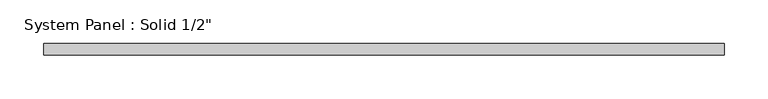
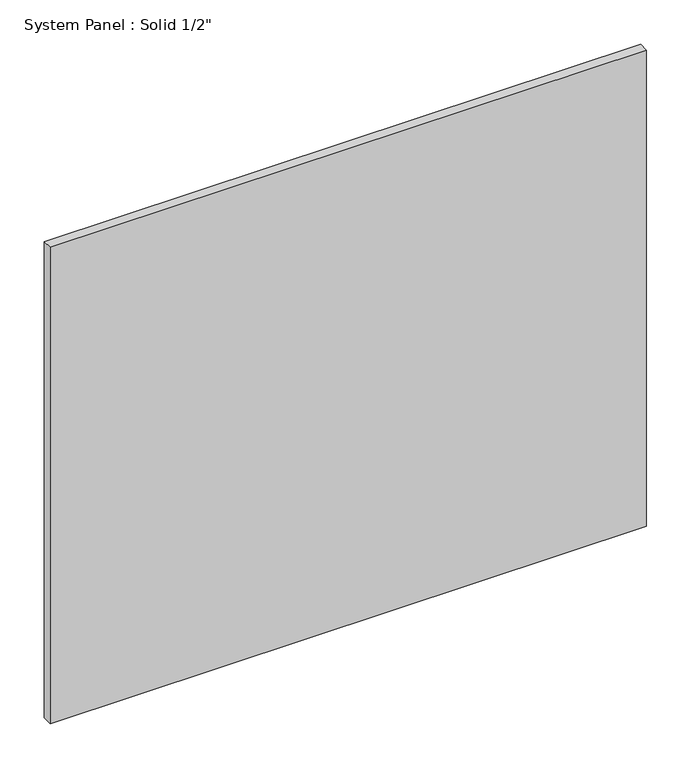
"""IFC4 building model written with IfcOpenShell, lengths in millimetres: plate geometry."""

from ifc_helpers import new_model, si_unit, origin, origin_with_axes, place, context, project, spatial, polyline, outline, extrude, source, transform, mapped, element, save


def plate_4413783c(model_context):
    return source(origin(), model_context, "Body", "SweptSolid", [
        extrude(outline(polyline([(387.35, -6.35), (-387.35, -6.35), (-387.35, 6.35), (387.35, 6.35), (387.35, -6.35)])), origin_with_axes(), (0.0, 0.0, 1.0), 654.05),
    ])


if __name__ == "__main__":
    model = new_model("IFC4")
    model_context = context("Model", 3, world=origin())
    ifc_project = project(units=[si_unit("LENGTHUNIT", "METRE", prefix="MILLI")], contexts=[model_context])
    site = spatial("IfcSite", under=ifc_project)
    building = spatial("IfcBuilding", under=site)
    placement = place(None, origin())
    plate_shape = plate_4413783c(model_context)
    element("IfcPlate", 1, ObjectType="System Panel : Solid 1/2\"", at=placement, inside=building, context=model_context, shape_type="MappedRepresentation", body=[
        mapped(plate_shape, transform((0.0, 0.0, 0.0), x_axis=(1.0, 0.0, 0.0), y_axis=(0.0, 1.0, 0.0), z_axis=(0.0, 0.0, 1.0))),
    ])
    save(model, "model.ifc")
